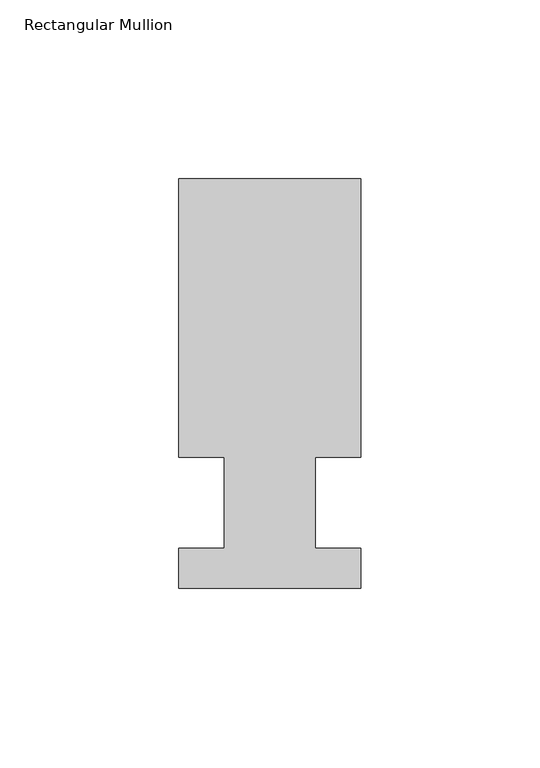
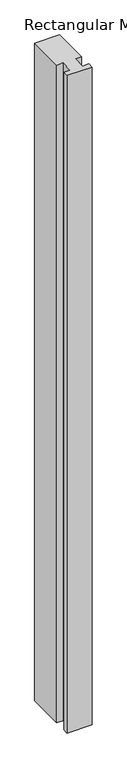
"""IFC4 building model written with IfcOpenShell, lengths in millimetres: member geometry, Rectangular Mullion."""

from ifc_helpers import new_model, si_unit, frame, origin, place, context, project, spatial, polyline, outline, extrude, source, transform, mapped, element, save


def rectangular_mullion_15b7661d(model_context):
    return source(origin(), model_context, "Body", "SweptSolid", [
        extrude(outline(polyline([(29.7344027, 90.4875), (29.7344027, 12.7), (17.0326322, 12.7), (17.0326322, -12.7), (29.7344027, -12.7), (29.7344027, -23.8125), (-21.0655973, -23.8125), (-21.0655973, -12.7), (-8.3655973, -12.7), (-8.3655973, 12.7), (-21.0655973, 12.7), (-21.0655973, 90.4875), (29.7344027, 90.4875)])), frame((0.0, 0.0, -1417.007264), z_axis=(0.0, 0.0, 1.0), x_axis=(1.0, 0.0, 0.0)), (0.0, 0.0, 1.0), 1417.007264),
    ])


if __name__ == "__main__":
    model = new_model("IFC4")
    model_context = context("Model", 3, world=origin())
    ifc_project = project(units=[si_unit("LENGTHUNIT", "METRE", prefix="MILLI")], contexts=[model_context])
    site = spatial("IfcSite", under=ifc_project)
    building = spatial("IfcBuilding", under=site)
    placement = place(None, origin())
    rectangular_mullion_shape = rectangular_mullion_15b7661d(model_context)
    element("IfcMember", 1, ObjectType="Rectangular Mullion", at=placement, inside=building, context=model_context, shape_type="MappedRepresentation", body=[
        mapped(rectangular_mullion_shape, transform((0.0, 0.0, 0.0), x_axis=(1.0, 0.0, 0.0), y_axis=(0.0, 1.0, 0.0), z_axis=(0.0, 0.0, 1.0))),
    ])
    save(model, "model.ifc")
